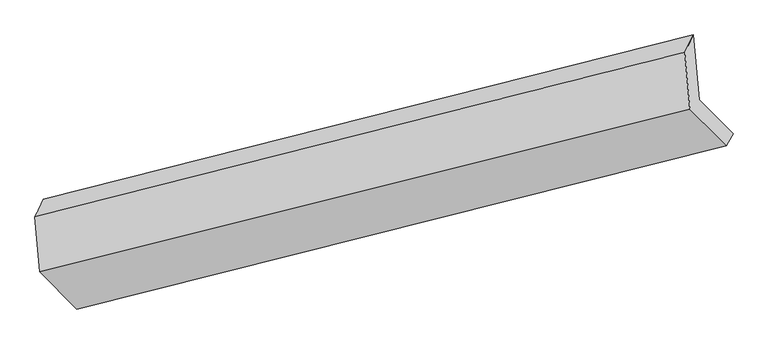
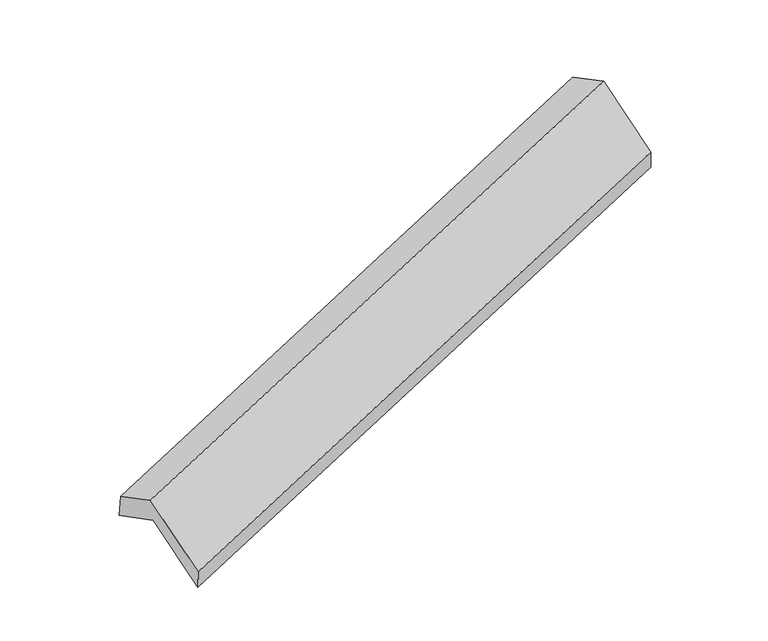
"""IFC4 building model written with IfcOpenShell, lengths in millimetres: proxy geometry."""

from ifc_helpers import new_model, si_unit, frame, origin, place, context, project, spatial, source, transform, mapped, element, save
from ifc_brep_helpers import plane_surface, spline_surface, advanced_brep


def generic_models_a788a1c0(model_context):
    return source(origin(), model_context, "Body", "AdvancedBrep", [
        advanced_brep(
        [(-4844.246475, -2304.3796899, 801.6300735), (-5075.9352265, -2072.3073051, 1325.0601277), (-719.2910963, -982.3792017, 2782.0263818), (-491.3533564, -1210.6943639, 2267.070594), (-5113.4929209, -1649.1865552, 1120.8373553), (-757.7163299, -549.4848523, 2573.0862999), (-5170.3596043, -1768.8966539, 1381.7893225), (-814.8905825, -665.7299115, 2832.3658367), (-5137.5851638, -2138.1298056, 1560.0027945), (-780.9410335, -1048.2017022, 3016.9690486), (-4889.6562458, -2386.4692475, 999.8830384), (-536.7631272, -1292.7839216, 2465.3235589)],
        [
            (0, 1),
            (1, 2),
            (2, 3),
            (3, 0),
            (1, 4),
            (4, 5),
            (5, 2),
            (4, 6),
            (6, 7),
            (7, 5),
            (6, 8),
            (8, 9),
            (9, 7),
            (8, 10),
            (10, 11),
            (11, 9),
            (10, 0),
            (3, 11),
        ],
        [
            plane_surface(frame((-4960.0908508, -2188.3434975, 1063.3451006), z_axis=(-0.07968508594072618, 0.8977231925923045, -0.4332936147238955), x_axis=(-0.3751011585585201, 0.3757222560501852, 0.8474266382151407))),
            plane_surface(frame((-5094.7140737, -1860.7469301, 1222.9487415), z_axis=(0.3770564414976868, -0.3752341443100879, -0.846774926925082), x_axis=(-0.07968508594072281, 0.8977231925923006, -0.433293614723904))),
            spline_surface(1, 1, [[(-5113.4929209, -1649.1865552, 1120.8373553), (-757.7163299, -549.4848523, 2573.0862999)], [(-5170.3596043, -1768.8966539, 1381.7893225), (-814.8905825, -665.7299115, 2832.3658367)]], [2, 2], [2, 2], [0.0, 1.0], [0.0, 1.0]),
            plane_surface(frame((-5153.9723841, -1953.5132298, 1470.8960585), z_axis=(-0.3770564414976869, 0.37523414431008695, 0.846774926925082), x_axis=(0.07968508594072277, -0.8977231925923009, 0.4332936147239031))),
            plane_surface(frame((-5013.6207048, -2262.2995266, 1279.9429164), z_axis=(0.07968508594072266, -0.8977231925923013, 0.4332936147239025), x_axis=(0.3751011585585295, -0.3757222560501906, -0.8474266382151342))),
            plane_surface(frame((-4866.9513604, -2345.4244687, 900.7565559), z_axis=(0.32555780311719196, -0.8976296711023993, -0.29710787668136024), x_axis=(0.2070400132761804, 0.3742767869626733, -0.9039089111428744))),
            plane_surface(frame((-683.4925876, -958.2123255, 2656.1402866), z_axis=(0.9235526016024584, 0.2300562013735768, 0.3067975493430338), x_axis=(0.3751011585585295, -0.3757222560501906, -0.8474266382151342))),
            plane_surface(frame((-5038.5459394, -2053.2282095, 1198.200452), z_axis=(-0.9235526016024573, -0.23005620137358307, -0.30679754934303244), x_axis=(-0.20704001327618313, -0.3742767869626562, 0.9039089111428809))),
        ],
        [
            (0, [[1, 2, 3, 4]]),
            (1, [[5, 6, 7, -2]]),
            (2, [[8, 9, 10, -6]]),
            (3, [[11, 12, 13, -9]]),
            (4, [[14, 15, 16, -12]]),
            (5, [[17, -4, 18, -15]]),
            (6, [[-16, -18, -3, -7, -10, -13]]),
            (7, [[-17, -14, -11, -8, -5, -1]]),
        ],
    ),
    ])


if __name__ == "__main__":
    model = new_model("IFC4")
    model_context = context("Model", 3, world=origin())
    ifc_project = project(units=[si_unit("LENGTHUNIT", "METRE", prefix="MILLI")], contexts=[model_context])
    site = spatial("IfcSite", under=ifc_project)
    building = spatial("IfcBuilding", under=site)
    placement = place(None, origin())
    generic_models_shape = generic_models_a788a1c0(model_context)
    element("IfcBuildingElementProxy", 1, Name="Generic Models", at=placement, inside=building, context=model_context, shape_type="MappedRepresentation", body=[
        mapped(generic_models_shape, transform((0.0, 0.0, 0.0), x_axis=(1.0, 0.0, 0.0), y_axis=(0.0, 1.0, 0.0), z_axis=(0.0, 0.0, 1.0))),
    ])
    save(model, "model.ifc")
